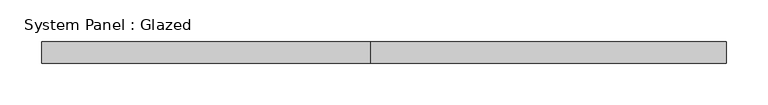
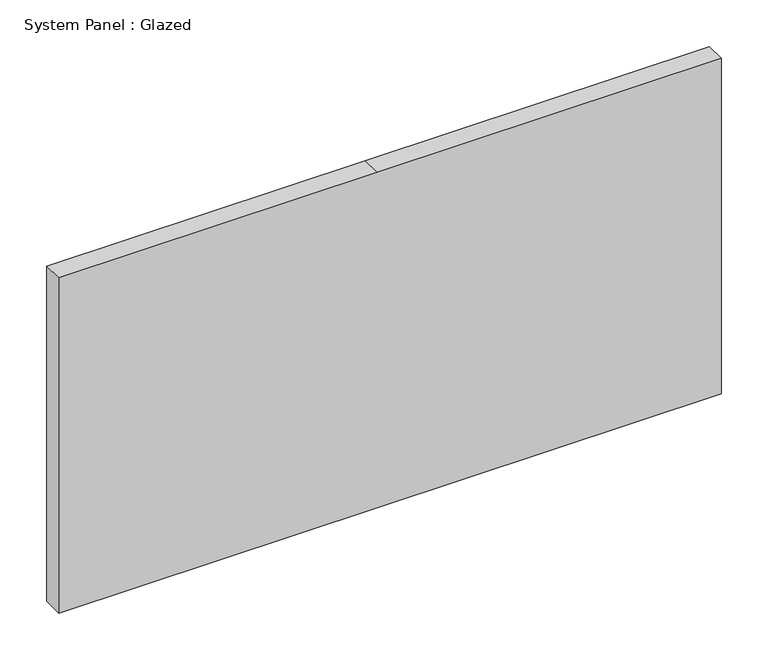
"""IFC4 building model written with IfcOpenShell, lengths in millimetres: plate geometry, System Panel : Glazed."""

from ifc_helpers import new_model, si_unit, frame, origin, place, context, project, spatial, polyline, outline, extrude, source, transform, mapped, element, save


def system_panel_glazed_cfc199da(model_context):
    return source(origin(), model_context, "Body", "SweptSolid", [
        extrude(outline(polyline([(0.0, -409.575), (0.0, -15.875), (0.0, 409.575), (438.15, 409.575), (438.15, -15.875), (438.15, -409.575), (0.0, -409.575)])), frame((0.0, 19.05, 0.0), z_axis=(0.0, 1.0, 0.0), x_axis=(0.0, 0.0, 1.0)), (0.0, 0.0, 1.0), 25.4),
    ])


if __name__ == "__main__":
    model = new_model("IFC4")
    model_context = context("Model", 3, world=origin())
    ifc_project = project(units=[si_unit("LENGTHUNIT", "METRE", prefix="MILLI")], contexts=[model_context])
    site = spatial("IfcSite", under=ifc_project)
    building = spatial("IfcBuilding", under=site)
    placement = place(None, origin())
    system_panel_glazed_shape = system_panel_glazed_cfc199da(model_context)
    element("IfcPlate", 1, ObjectType="System Panel : Glazed", at=placement, inside=building, context=model_context, shape_type="MappedRepresentation", body=[
        mapped(system_panel_glazed_shape, transform((0.0, 0.0, 0.0), x_axis=(1.0, 0.0, 0.0), y_axis=(0.0, 1.0, 0.0), z_axis=(0.0, 0.0, 1.0))),
    ])
    save(model, "model.ifc")
